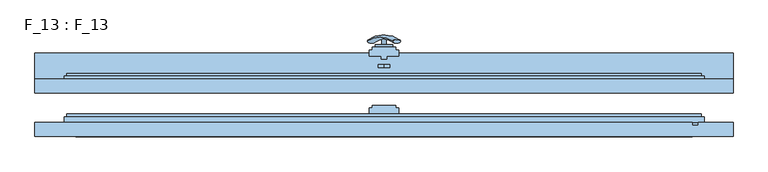
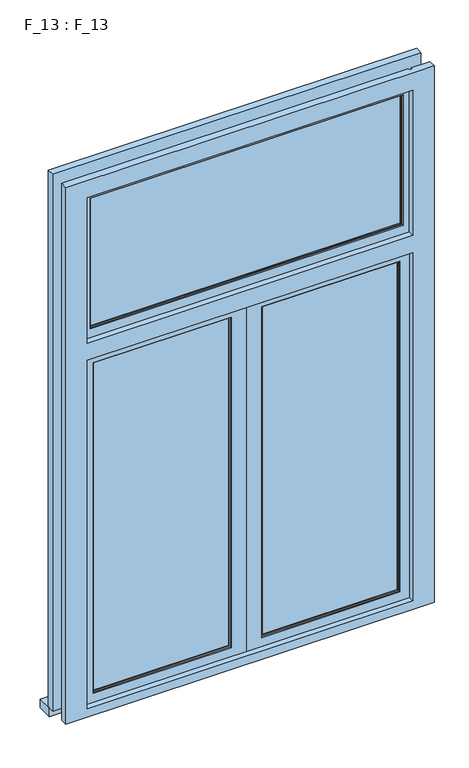
"""IFC4 building model written with IfcOpenShell, lengths in millimetres: window geometry, F_13 : F_13."""

from ifc_helpers import new_model, si_unit, point, frame, frame_2d, origin, place, context, project, spatial, polyline, circle_curve, ellipse_curve, trimmed, segment, composite_curve, outline, extrude, faceted_brep, source, transform, mapped, element, save
from ifc_brep_helpers import plane_surface, revolved_surface, advanced_brep


def f_13_f_13_63d2a69a(model_context):
    return source(origin(), model_context, "Body", "SolidModel", [
        advanced_brep(
        [(-28.5497704, 90.2287724, 1428.0503471), (-14.693364, 90.2287724, 1420.0503471), (14.693364, 90.2287724, 1502.9496529), (28.5497704, 90.2287724, 1494.9496529)],
        [
            (0, 1, ellipse_curve(frame((-21.6215672, 90.2287724, 1424.0503471), z_axis=(-0.46984631039295827, -0.3420201433256777, -0.8137976813493676), x_axis=(0.8660254037844349, 0.0, -0.5000000000000066)), 8.0, 3.5)),
            (1, 0, ellipse_curve(frame((-21.6215672, 90.2287724, 1424.0503471), z_axis=(-0.46984631039295827, -0.3420201433256777, -0.8137976813493676), x_axis=(0.8660254037844349, 0.0, -0.5000000000000066)), 8.0, 3.5)),
            (2, 3, ellipse_curve(frame((21.6215672, 90.2287724, 1498.9496529), z_axis=(0.46984631039296154, -0.3420201433256599, 0.8137976813493732), x_axis=(0.8660254037844355, 0.0, -0.5000000000000056)), 8.0, 3.5)),
            (3, 2, ellipse_curve(frame((21.6215672, 90.2287724, 1498.9496529), z_axis=(0.46984631039296154, -0.3420201433256599, 0.8137976813493732), x_axis=(0.8660254037844355, 0.0, -0.5000000000000056)), 8.0, 3.5)),
            (2, 0, circle_curve(frame((-6.9282032, -28.580763, 1465.5), z_axis=(-0.8660254037844353, 0.0, 0.500000000000006), x_axis=(-0.1710100716628409, 0.9396926207859051, -0.29619813272603046)), 126.4344667)),
            (1, 3, circle_curve(frame((6.9282032, -28.580763, 1457.5), z_axis=(0.8660254037844353, 0.0, -0.500000000000006), x_axis=(-0.1710100716628409, 0.9396926207859051, -0.29619813272603046)), 126.4344667)),
        ],
        [
            plane_surface(frame((40.0926994, 87.5471681, 1389.5466142), z_axis=(-0.4698463103929582, -0.34202014332567776, -0.8137976813493677), x_axis=(-0.8660254037844352, 0.0, 0.500000000000006))),
            plane_surface(frame((82.3598097, 87.5471681, 1462.7553967), z_axis=(0.4698463103929615, -0.34202014332565983, 0.8137976813493734), x_axis=(-0.8660254037844352, 0.0, 0.500000000000006))),
            revolved_surface(trimmed(ellipse_curve(frame((-21.6215672, 90.2287724, 1424.0503471), z_axis=(0.46984631039295827, 0.3420201433256777, 0.8137976813493676), x_axis=(0.8660254037844349, 0.0, -0.5000000000000066)), 8.0, 3.5), [point((-28.5497704, 90.2287724, 1428.0503471))], [point((-14.693364, 90.2287724, 1420.0503471))], True, "CARTESIAN"), (61.2262546, -28.580763, 1426.1510055), (-0.8660254037844353, 0.0, 0.500000000000006)),
            revolved_surface(trimmed(ellipse_curve(frame((-21.6215672, 90.2287724, 1424.0503471), z_axis=(0.46984631039295827, 0.3420201433256777, 0.8137976813493676), x_axis=(0.8660254037844349, 0.0, -0.5000000000000066)), 8.0, 3.5), [point((-14.693364, 90.2287724, 1420.0503471))], [point((-28.5497704, 90.2287724, 1428.0503471))], True, "CARTESIAN"), (61.2262546, -28.580763, 1426.1510055), (-0.8660254037844353, 0.0, 0.500000000000006)),
        ],
        [
            (0, [[1, 2]]),
            (1, [[3, 4]]),
            (2, [[-3, 5, -2, 6]]),
            (3, [[-4, -6, -1, -5]]),
        ],
    ),
        extrude(outline(composite_curve([segment(trimmed(circle_curve(frame_2d((1461.5, 0.0)), 3.5), [point((1461.5, -3.5))], [point((1461.5, 3.5))], False, "CARTESIAN"), True, "CONTINUOUS"), segment(trimmed(circle_curve(frame_2d((1461.5, 0.0)), 3.5), [point((1461.5, 3.5))], [point((1461.5, -3.5))], False, "CARTESIAN"), True, "CONTINUOUS")], self_intersect=False)), frame((0.0, 85.0, 0.0), z_axis=(0.0, 1.0, 0.0), x_axis=(0.0, 0.0, 1.0)), (0.0, 0.0, 1.0), 10.0),
        extrude(outline(composite_curve([segment(polyline([(1525.8020109, -15.0), (1395.8020109, -15.0)]), True, "CONTINUOUS"), segment(trimmed(circle_curve(frame_2d((1395.8020109, 0.0)), 15.0), [point((1395.8020109, -15.0))], [point((1395.8020109, 15.0))], False, "CARTESIAN"), True, "CONTINUOUS"), segment(polyline([(1395.8020109, 15.0), (1525.8020109, 15.0)]), True, "CONTINUOUS"), segment(trimmed(circle_curve(frame_2d((1525.8020109, 0.0)), 15.0), [point((1525.8020109, 15.0))], [point((1525.8020109, -15.0))], False, "CARTESIAN"), True, "CONTINUOUS")], self_intersect=False)), frame((0.0, 80.0, 0.0), z_axis=(0.0, 1.0, 0.0), x_axis=(0.0, 0.0, 1.0)), (0.0, 0.0, 1.0), 5.0),
        faceted_brep([(-0.5, -55.0, 2090.0), (-0.5, -50.0, 2090.0), (0.0, -50.0, 2090.0), (0.0, -40.0, 2090.0), (-550.0, -40.0, 2090.0), (-550.0, -50.0, 2090.0), (-10.0, -50.0, 2090.0), (-10.0, -55.0, 2090.0), (-0.5, -55.0, 850.0), (-10.0, -55.0, 850.0), (-10.0, -50.0, 850.0), (-550.0, -50.0, 850.0), (-550.0, -40.0, 850.0), (0.0, -40.0, 850.0), (0.0, -50.0, 850.0), (-0.5, -50.0, 850.0), (-10.0, -55.0, 2080.0), (-540.0, -55.0, 2080.0), (-540.0, -55.0, 860.0), (-10.0, -55.0, 860.0), (-50.0, -55.0, 900.0), (-500.0, -55.0, 900.0), (-500.0, -55.0, 2040.0), (-50.0, -55.0, 2040.0), (-10.0, -50.0, 860.0), (-10.0, -50.0, 2080.0), (-50.0, -50.0, 2040.0), (-50.0, -50.0, 900.0), (-55.0, -40.0, 2035.0), (-55.0, -40.0, 905.0), (-55.0, -50.0, 905.0), (-55.0, -50.0, 2035.0), (-50.0, -35.0, 2040.0), (-50.0, -35.0, 900.0), (-50.0, -40.0, 900.0), (-50.0, -40.0, 2040.0), (-5.0, -40.0, 2085.0), (-5.0, -40.0, 855.0), (-5.0, -35.0, 855.0), (-5.0, -35.0, 2085.0), (-500.0, -50.0, 900.0), (-495.0, -40.0, 905.0), (-495.0, -50.0, 905.0), (-500.0, -35.0, 900.0), (-500.0, -40.0, 900.0), (-545.0, -40.0, 855.0), (-545.0, -35.0, 855.0), (-540.0, -50.0, 860.0), (-500.0, -50.0, 2040.0), (-495.0, -40.0, 2035.0), (-495.0, -50.0, 2035.0), (-500.0, -35.0, 2040.0), (-500.0, -40.0, 2040.0), (-545.0, -40.0, 2085.0), (-545.0, -35.0, 2085.0), (-540.0, -50.0, 2080.0)], [[[0, 1, 2, 3, 4, 5, 6, 7]], [[8, 9, 10, 11, 12, 13, 14, 15]], [[7, 16, 17, 18, 19, 9, 8, 0], [20, 21, 22, 23]], [[9, 19, 24, 10]], [[6, 25, 16, 7]], [[0, 8, 15, 1]], [[26, 27, 20, 23]], [[28, 29, 30, 31]], [[32, 33, 34, 35]], [[36, 37, 38, 39]], [[2, 14, 13, 3]], [[27, 40, 21, 20]], [[29, 41, 42, 30]], [[33, 43, 44, 34]], [[37, 45, 46, 38]], [[24, 19, 18, 47]], [[40, 48, 22, 21]], [[41, 49, 50, 42]], [[43, 51, 52, 44]], [[45, 53, 54, 46]], [[11, 5, 4, 12]], [[18, 17, 55, 47]], [[23, 22, 48, 26]], [[26, 48, 40, 27], [30, 42, 50, 31]], [[31, 50, 49, 28]], [[34, 44, 52, 35], [28, 49, 41, 29]], [[35, 52, 51, 32]], [[38, 46, 54, 39], [32, 51, 43, 33]], [[39, 54, 53, 36]], [[13, 12, 4, 3], [36, 53, 45, 37]], [[2, 1, 15, 14]], [[47, 55, 25, 6, 5, 11, 10, 24]], [[17, 16, 25, 55]]]),
        faceted_brep([(0.5, -55.0, 2090.0), (10.0, -55.0, 2090.0), (10.0, -50.0, 2090.0), (550.0, -50.0, 2090.0), (550.0, -40.0, 2090.0), (0.0, -40.0, 2090.0), (0.0, -50.0, 2090.0), (0.5, -50.0, 2090.0), (0.5, -55.0, 850.0), (0.5, -50.0, 850.0), (0.0, -50.0, 850.0), (0.0, -40.0, 850.0), (550.0, -40.0, 850.0), (550.0, -50.0, 850.0), (10.0, -50.0, 850.0), (10.0, -55.0, 850.0), (10.0, -55.0, 860.0), (540.0, -55.0, 860.0), (540.0, -55.0, 2080.0), (10.0, -55.0, 2080.0), (50.0, -55.0, 2040.0), (500.0, -55.0, 2040.0), (500.0, -55.0, 900.0), (50.0, -55.0, 900.0), (10.0, -50.0, 2080.0), (10.0, -50.0, 860.0), (50.0, -50.0, 900.0), (50.0, -50.0, 2040.0), (55.0, -50.0, 2035.0), (55.0, -50.0, 905.0), (55.0, -40.0, 905.0), (55.0, -40.0, 2035.0), (50.0, -40.0, 2040.0), (50.0, -40.0, 900.0), (50.0, -35.0, 900.0), (50.0, -35.0, 2040.0), (5.0, -35.0, 2085.0), (5.0, -35.0, 855.0), (5.0, -40.0, 855.0), (5.0, -40.0, 2085.0), (500.0, -50.0, 900.0), (495.0, -50.0, 905.0), (495.0, -40.0, 905.0), (500.0, -40.0, 900.0), (500.0, -35.0, 900.0), (545.0, -35.0, 855.0), (545.0, -40.0, 855.0), (540.0, -50.0, 860.0), (500.0, -50.0, 2040.0), (495.0, -50.0, 2035.0), (495.0, -40.0, 2035.0), (500.0, -40.0, 2040.0), (500.0, -35.0, 2040.0), (545.0, -35.0, 2085.0), (545.0, -40.0, 2085.0), (540.0, -50.0, 2080.0)], [[[0, 1, 2, 3, 4, 5, 6, 7]], [[8, 9, 10, 11, 12, 13, 14, 15]], [[0, 8, 15, 16, 17, 18, 19, 1], [20, 21, 22, 23]], [[1, 19, 24, 2]], [[14, 25, 16, 15]], [[7, 9, 8, 0]], [[20, 23, 26, 27]], [[28, 29, 30, 31]], [[32, 33, 34, 35]], [[36, 37, 38, 39]], [[5, 11, 10, 6]], [[23, 22, 40, 26]], [[29, 41, 42, 30]], [[33, 43, 44, 34]], [[37, 45, 46, 38]], [[16, 25, 47, 17]], [[22, 21, 48, 40]], [[41, 49, 50, 42]], [[43, 51, 52, 44]], [[45, 53, 54, 46]], [[12, 4, 3, 13]], [[47, 55, 18, 17]], [[27, 48, 21, 20]], [[26, 40, 48, 27], [28, 49, 41, 29]], [[31, 50, 49, 28]], [[32, 51, 43, 33], [30, 42, 50, 31]], [[35, 52, 51, 32]], [[36, 53, 45, 37], [34, 44, 52, 35]], [[39, 54, 53, 36]], [[5, 4, 12, 11], [38, 46, 54, 39]], [[10, 9, 7, 6]], [[25, 14, 13, 3, 2, 24, 55, 47]], [[55, 24, 19, 18]]]),
        extrude(outline(polyline([(-55.0, -43.0), (-55.0, -47.0), (-495.0, -47.0), (-495.0, -43.0), (-55.0, -43.0)])), frame((0.0, 0.0, 905.0), z_axis=(0.0, 0.0, 1.0), x_axis=(1.0, 0.0, 0.0)), (0.0, 0.0, 1.0), 1130.0),
        extrude(outline(polyline([(495.0, -43.0), (495.0, -47.0), (55.0, -47.0), (55.0, -43.0), (495.0, -43.0)])), frame((0.0, 0.0, 905.0), z_axis=(0.0, 0.0, 1.0), x_axis=(1.0, 0.0, 0.0)), (0.0, 0.0, 1.0), 1130.0),
        extrude(outline(polyline([(5.0, -40.0), (-5.0, -40.0), (-5.0, -35.0), (-25.0, -35.0), (-25.0, -25.0), (-20.0, -25.0), (-20.0, -20.0), (20.0, -20.0), (20.0, -25.0), (25.0, -25.0), (25.0, -35.0), (5.0, -35.0), (5.0, -40.0)])), frame((0.0, 0.0, 850.0), z_axis=(0.0, 0.0, 1.0), x_axis=(1.0, 0.0, 0.0)), (0.0, 0.0, 1.0), 1240.0),
        faceted_brep([(-50.0, 20.0, 2040.0), (-50.0, 20.0, 900.0), (-50.0, 15.0, 900.0), (-50.0, 15.0, 2040.0), (-55.0, 30.0, 2035.0), (-55.0, 30.0, 905.0), (-55.0, 20.0, 905.0), (-55.0, 20.0, 2035.0), (-50.0, 35.0, 2040.0), (-50.0, 35.0, 900.0), (-50.0, 30.0, 900.0), (-50.0, 30.0, 2040.0), (-5.0, 30.0, 2085.0), (-5.0, 30.0, 855.0), (-5.0, 35.0, 855.0), (-5.0, 35.0, 2085.0), (0.0, 20.0, 2090.0), (0.0, 20.0, 850.0), (0.0, 30.0, 850.0), (0.0, 30.0, 2090.0), (-500.0, 20.0, 900.0), (-500.0, 15.0, 900.0), (-495.0, 30.0, 905.0), (-495.0, 20.0, 905.0), (-500.0, 35.0, 900.0), (-500.0, 30.0, 900.0), (-545.0, 30.0, 855.0), (-545.0, 35.0, 855.0), (-550.0, 20.0, 850.0), (-550.0, 30.0, 850.0), (-10.0, 15.0, 860.0), (-540.0, 15.0, 860.0), (-540.0, 20.0, 860.0), (-10.0, 20.0, 860.0), (-500.0, 20.0, 2040.0), (-500.0, 15.0, 2040.0), (-495.0, 30.0, 2035.0), (-495.0, 20.0, 2035.0), (-500.0, 35.0, 2040.0), (-500.0, 30.0, 2040.0), (-545.0, 30.0, 2085.0), (-545.0, 35.0, 2085.0), (-550.0, 20.0, 2090.0), (-550.0, 30.0, 2090.0), (-540.0, 15.0, 2080.0), (-540.0, 20.0, 2080.0), (-10.0, 15.0, 2080.0), (-10.0, 20.0, 2080.0)], [[[0, 1, 2, 3]], [[4, 5, 6, 7]], [[8, 9, 10, 11]], [[12, 13, 14, 15]], [[16, 17, 18, 19]], [[1, 20, 21, 2]], [[5, 22, 23, 6]], [[9, 24, 25, 10]], [[13, 26, 27, 14]], [[17, 28, 29, 18]], [[30, 31, 32, 33]], [[20, 34, 35, 21]], [[22, 36, 37, 23]], [[24, 38, 39, 25]], [[26, 40, 41, 27]], [[28, 42, 43, 29]], [[31, 44, 45, 32]], [[46, 44, 31, 30], [2, 21, 35, 3]], [[3, 35, 34, 0]], [[0, 34, 20, 1], [6, 23, 37, 7]], [[7, 37, 36, 4]], [[10, 25, 39, 11], [4, 36, 22, 5]], [[11, 39, 38, 8]], [[14, 27, 41, 15], [8, 38, 24, 9]], [[15, 41, 40, 12]], [[18, 29, 43, 19], [12, 40, 26, 13]], [[19, 43, 42, 16]], [[16, 42, 28, 17], [33, 32, 45, 47]], [[47, 45, 44, 46]], [[46, 30, 33, 47]]]),
        faceted_brep([(-10.0, 50.0, 2080.0), (-10.0, 50.0, 850.0), (-10.0, 45.0, 850.0), (-10.0, 45.0, 2080.0), (-0.5, 45.0, 2080.0), (-0.5, 45.0, 850.0), (-0.5, 50.0, 850.0), (-0.5, 50.0, 2080.0)], [[[0, 1, 2, 3]], [[4, 5, 6, 7]], [[4, 7, 0, 3]], [[5, 2, 1, 6]], [[3, 2, 5, 4]], [[7, 6, 1, 0]]]),
        extrude(outline(polyline([(-55.0, 27.0), (-55.0, 23.0), (-495.0, 23.0), (-495.0, 27.0), (-55.0, 27.0)])), frame((0.0, 0.0, 905.0), z_axis=(0.0, 0.0, 1.0), x_axis=(1.0, 0.0, 0.0)), (0.0, 0.0, 1.0), 1130.0),
        extrude(outline(polyline([(495.0, 27.0), (495.0, 23.0), (55.0, 23.0), (55.0, 27.0), (495.0, 27.0)])), frame((0.0, 0.0, 905.0), z_axis=(0.0, 0.0, 1.0), x_axis=(1.0, 0.0, 0.0)), (0.0, 0.0, 1.0), 1130.0),
        faceted_brep([(5.0, 60.0, 2090.0), (5.0, 65.0, 2090.0), (25.0, 65.0, 2090.0), (25.0, 75.0, 2090.0), (20.0, 75.0, 2090.0), (20.0, 80.0, 2090.0), (-20.0, 80.0, 2090.0), (-20.0, 75.0, 2090.0), (-25.0, 75.0, 2090.0), (-25.0, 65.0, 2090.0), (-5.0, 65.0, 2090.0), (-5.0, 60.0, 2090.0), (5.0, 60.0, 850.0), (-5.0, 60.0, 850.0), (-5.0, 65.0, 850.0), (-25.0, 65.0, 850.0), (-25.0, 75.0, 850.0), (-20.0, 75.0, 850.0), (-20.0, 80.0, 850.0), (20.0, 80.0, 850.0), (20.0, 75.0, 850.0), (25.0, 75.0, 850.0), (25.0, 65.0, 850.0), (5.0, 65.0, 850.0)], [[[0, 1, 2, 3, 4, 5, 6, 7, 8, 9, 10, 11]], [[12, 13, 14, 15, 16, 17, 18, 19, 20, 21, 22, 23]], [[11, 13, 12, 0]], [[10, 14, 13, 11]], [[9, 15, 14, 10]], [[8, 16, 15, 9]], [[7, 17, 16, 8]], [[6, 18, 17, 7]], [[5, 19, 18, 6]], [[4, 20, 19, 5]], [[3, 21, 20, 4]], [[2, 22, 21, 3]], [[1, 23, 22, 2]], [[0, 12, 23, 1]]]),
        faceted_brep([(50.0, 15.0, 2040.0), (50.0, 15.0, 900.0), (50.0, 20.0, 900.0), (50.0, 20.0, 2040.0), (55.0, 20.0, 2035.0), (55.0, 20.0, 905.0), (55.0, 30.0, 905.0), (55.0, 30.0, 2035.0), (50.0, 30.0, 2040.0), (50.0, 30.0, 900.0), (50.0, 35.0, 900.0), (50.0, 35.0, 2040.0), (0.0, 30.0, 2090.0), (0.0, 30.0, 850.0), (0.0, 20.0, 850.0), (0.0, 20.0, 2090.0), (500.0, 15.0, 900.0), (500.0, 20.0, 900.0), (495.0, 20.0, 905.0), (495.0, 30.0, 905.0), (500.0, 30.0, 900.0), (500.0, 35.0, 900.0), (5.0, 35.0, 855.0), (545.0, 35.0, 855.0), (545.0, 30.0, 855.0), (5.0, 30.0, 855.0), (10.0, 20.0, 860.0), (540.0, 20.0, 860.0), (540.0, 15.0, 860.0), (10.0, 15.0, 860.0), (500.0, 15.0, 2040.0), (500.0, 20.0, 2040.0), (495.0, 20.0, 2035.0), (495.0, 30.0, 2035.0), (500.0, 30.0, 2040.0), (500.0, 35.0, 2040.0), (545.0, 35.0, 2085.0), (545.0, 30.0, 2085.0), (550.0, 30.0, 850.0), (550.0, 30.0, 2090.0), (550.0, 20.0, 2090.0), (550.0, 20.0, 850.0), (540.0, 20.0, 2080.0), (540.0, 15.0, 2080.0), (10.0, 15.0, 2080.0), (5.0, 35.0, 2085.0), (5.0, 30.0, 2085.0), (10.0, 20.0, 2080.0)], [[[0, 1, 2, 3]], [[4, 5, 6, 7]], [[8, 9, 10, 11]], [[12, 13, 14, 15]], [[1, 16, 17, 2]], [[5, 18, 19, 6]], [[9, 20, 21, 10]], [[22, 23, 24, 25]], [[26, 27, 28, 29]], [[16, 30, 31, 17]], [[18, 32, 33, 19]], [[20, 34, 35, 21]], [[23, 36, 37, 24]], [[38, 39, 40, 41]], [[27, 42, 43, 28]], [[29, 28, 43, 44], [0, 30, 16, 1]], [[3, 31, 30, 0]], [[2, 17, 31, 3], [4, 32, 18, 5]], [[7, 33, 32, 4]], [[8, 34, 20, 9], [6, 19, 33, 7]], [[11, 35, 34, 8]], [[45, 36, 23, 22], [10, 21, 35, 11]], [[46, 37, 36, 45]], [[12, 39, 38, 13], [25, 24, 37, 46]], [[14, 41, 40, 15], [47, 42, 27, 26]], [[44, 43, 42, 47]], [[45, 22, 25, 46]], [[47, 26, 29, 44]], [[13, 38, 41, 14]], [[15, 40, 39, 12]]]),
        faceted_brep([(10.0, 45.0, 2080.0), (10.0, 45.0, 850.0), (10.0, 50.0, 850.0), (10.0, 50.0, 2080.0), (0.5, 50.0, 2080.0), (0.5, 50.0, 850.0), (0.5, 45.0, 850.0), (0.5, 45.0, 2080.0)], [[[0, 1, 2, 3]], [[4, 5, 6, 7]], [[7, 0, 3, 4]], [[6, 5, 2, 1]], [[7, 6, 1, 0]], [[3, 2, 5, 4]]]),
        extrude(outline(polyline([(600.0, 70.0), (600.0, 20.0), (-600.0, 20.0), (-600.0, 70.0), (600.0, 70.0)])), frame((0.0, 0.0, 810.0), z_axis=(0.0, 0.0, 1.0), x_axis=(1.0, 0.0, 0.0)), (0.0, 0.0, 1.0), 30.0),
        faceted_brep([(-600.0, 25.0, 2690.0), (-600.0, 25.0, 840.0), (-600.0, 1.0, 840.0), (-600.0, 1.0, 2690.0), (-540.0, 1.0, 840.0), (-540.0, 1.0, 810.0), (540.0, 1.0, 810.0), (540.0, 1.0, 840.0), (600.0, 1.0, 840.0), (600.0, 1.0, 2690.0), (-530.0, 1.0, 2070.0), (530.0, 1.0, 2070.0), (530.0, 1.0, 870.0), (-530.0, 1.0, 870.0), (-530.0, 1.0, 2630.0), (530.0, 1.0, 2630.0), (530.0, 1.0, 2130.0), (-530.0, 1.0, 2130.0), (-540.0, 25.0, 840.0), (-540.0, 20.0, 840.0), (600.0, 25.0, 2690.0), (600.0, 25.0, 840.0), (540.0, 25.0, 840.0), (540.0, 25.0, 810.0), (-540.0, 25.0, 810.0), (540.0, 25.0, 2080.0), (-540.0, 25.0, 2080.0), (-540.0, 25.0, 860.0), (540.0, 25.0, 860.0), (-540.0, 25.0, 2640.0), (-540.0, 25.0, 2120.0), (540.0, 25.0, 2120.0), (540.0, 25.0, 2640.0), (540.0, 20.0, 840.0), (-530.0, 20.0, 2130.0), (-530.0, 20.0, 2630.0), (-530.0, 20.0, 870.0), (-530.0, 20.0, 2070.0), (530.0, 20.0, 2130.0), (530.0, 20.0, 2070.0), (530.0, 20.0, 870.0), (530.0, 20.0, 2630.0), (-540.0, 20.0, 2640.0), (540.0, 20.0, 2640.0), (540.0, 20.0, 2120.0), (-540.0, 20.0, 2120.0), (540.0, 20.0, 2080.0), (540.0, 20.0, 860.0), (-540.0, 20.0, 860.0), (-540.0, 20.0, 2080.0)], [[[0, 1, 2, 3]], [[2, 4, 5, 6, 7, 8, 9, 3], [10, 11, 12, 13], [14, 15, 16, 17]], [[18, 19, 4, 2, 1]], [[1, 0, 20, 21, 22, 23, 24, 18], [25, 26, 27, 28], [29, 30, 31, 32]], [[9, 8, 21, 20]], [[8, 7, 33, 22, 21]], [[23, 22, 33, 7, 6]], [[24, 23, 6, 5]], [[5, 4, 19, 18, 24]], [[14, 17, 34, 35]], [[10, 13, 36, 37]], [[17, 16, 38, 34]], [[39, 40, 12, 11]], [[15, 41, 38, 16]], [[36, 13, 12, 40]], [[37, 39, 11, 10]], [[42, 43, 44, 45], [34, 38, 41, 35]], [[46, 47, 48, 49], [37, 36, 40, 39]], [[27, 48, 47, 28]], [[31, 44, 43, 32]], [[25, 28, 47, 46]], [[25, 46, 49, 26]], [[42, 45, 30, 29]], [[48, 27, 26, 49]], [[30, 45, 44, 31]], [[3, 9, 20, 0]], [[35, 41, 15, 14]], [[32, 43, 42, 29]]]),
        faceted_brep([(-600.0, -74.0, 840.0), (-600.0, -50.0, 840.0), (-540.0, -50.0, 840.0), (-540.0, -55.0, 840.0), (-530.0, -55.0, 840.0), (-530.0, -50.0, 840.0), (530.0, -50.0, 840.0), (530.0, -55.0, 840.0), (540.0, -55.0, 840.0), (540.0, -50.0, 840.0), (600.0, -50.0, 840.0), (600.0, -74.0, 840.0), (-600.0, -74.0, 2690.0), (-600.0, -50.0, 2690.0), (530.0, -50.0, 2690.0), (530.0, -50.0, 2640.0), (-540.0, -50.0, 2640.0), (-540.0, -50.0, 2120.0), (540.0, -50.0, 2120.0), (540.0, -50.0, 2690.0), (600.0, -50.0, 2690.0), (540.0, -50.0, 2080.0), (-540.0, -50.0, 2080.0), (600.0, -74.0, 2690.0), (530.0, -74.0, 2630.0), (530.0, -74.0, 2130.0), (-530.0, -74.0, 2130.0), (-530.0, -74.0, 2630.0), (530.0, -74.0, 2070.0), (530.0, -74.0, 870.0), (-530.0, -74.0, 870.0), (-530.0, -74.0, 2070.0), (-530.0, -55.0, 2130.0), (-530.0, -55.0, 2630.0), (-530.0, -55.0, 870.0), (-530.0, -55.0, 2070.0), (530.0, -55.0, 2130.0), (530.0, -55.0, 2070.0), (530.0, -55.0, 870.0), (530.0, -55.0, 2630.0), (540.0, -55.0, 2690.0), (540.0, -55.0, 2120.0), (-540.0, -55.0, 2120.0), (-540.0, -55.0, 2640.0), (530.0, -55.0, 2640.0), (530.0, -55.0, 2690.0), (530.0, -55.0, 860.0), (-530.0, -55.0, 860.0), (-540.0, -55.0, 2080.0), (540.0, -55.0, 2080.0), (-530.0, -50.0, 860.0), (530.0, -50.0, 860.0)], [[[0, 1, 2, 3, 4, 5, 6, 7, 8, 9, 10, 11]], [[0, 12, 13, 1]], [[13, 14, 15, 16, 17, 18, 19, 20, 10, 9, 21, 22, 2, 1]], [[0, 11, 23, 12], [24, 25, 26, 27], [28, 29, 30, 31]], [[26, 32, 33, 27]], [[30, 34, 35, 31]], [[36, 32, 26, 25]], [[37, 38, 29, 28]], [[24, 39, 36, 25]], [[28, 31, 35, 37]], [[29, 38, 34, 30]], [[23, 11, 10, 20]], [[40, 41, 42, 43, 44, 45], [36, 39, 33, 32]], [[7, 46, 47, 4, 3, 48, 49, 8], [38, 37, 35, 34]], [[2, 22, 48, 3]], [[16, 43, 42, 17]], [[18, 17, 42, 41]], [[19, 18, 41, 40]], [[8, 49, 21, 9]], [[48, 22, 21, 49]], [[5, 4, 47, 50]], [[47, 46, 51, 50]], [[46, 7, 6, 51]], [[50, 51, 6, 5]], [[23, 20, 19, 40, 45, 14, 13, 12]], [[14, 45, 44, 15]], [[43, 16, 15, 44]], [[24, 27, 33, 39]]]),
        extrude(outline(polyline([(505.0, -43.0), (505.0, -47.0), (-505.0, -47.0), (-505.0, -43.0), (505.0, -43.0)])), frame((0.0, 0.0, 2165.0), z_axis=(0.0, 0.0, 1.0), x_axis=(1.0, 0.0, 0.0)), (0.0, 0.0, 1.0), 440.0),
        faceted_brep([(510.0, -50.0, 2610.0), (510.0, -50.0, 2160.0), (510.0, -55.0, 2160.0), (510.0, -55.0, 2610.0), (540.0, -55.0, 2130.0), (540.0, -55.0, 2640.0), (-540.0, -55.0, 2640.0), (-540.0, -55.0, 2130.0), (-510.0, -55.0, 2160.0), (-510.0, -55.0, 2610.0), (-510.0, -50.0, 2160.0), (-510.0, -50.0, 2610.0), (505.0, -50.0, 2605.0), (505.0, -50.0, 2165.0), (-505.0, -50.0, 2165.0), (-505.0, -50.0, 2605.0), (505.0, -40.0, 2605.0), (505.0, -40.0, 2165.0), (-505.0, -40.0, 2165.0), (510.0, -40.0, 2610.0), (510.0, -40.0, 2160.0), (-510.0, -40.0, 2160.0), (-510.0, -40.0, 2610.0), (-505.0, -40.0, 2605.0), (510.0, -35.0, 2610.0), (510.0, -35.0, 2160.0), (-510.0, -35.0, 2160.0), (545.0, -35.0, 2645.0), (545.0, -35.0, 2125.0), (-545.0, -35.0, 2125.0), (-545.0, -35.0, 2645.0), (-510.0, -35.0, 2610.0), (550.0, -50.0, 2650.0), (550.0, -50.0, 2120.0), (550.0, -40.0, 2120.0), (550.0, -40.0, 2650.0), (-550.0, -40.0, 2120.0), (-550.0, -40.0, 2650.0), (545.0, -40.0, 2125.0), (545.0, -40.0, 2645.0), (-545.0, -40.0, 2645.0), (-545.0, -40.0, 2125.0), (-550.0, -50.0, 2120.0), (-550.0, -50.0, 2650.0), (540.0, -50.0, 2640.0), (540.0, -50.0, 2130.0), (-540.0, -50.0, 2130.0), (-540.0, -50.0, 2640.0)], [[[0, 1, 2, 3]], [[4, 5, 6, 7], [3, 2, 8, 9]], [[1, 10, 8, 2]], [[1, 0, 11, 10], [12, 13, 14, 15]], [[16, 17, 13, 12]], [[17, 18, 14, 13]], [[19, 20, 21, 22], [17, 16, 23, 18]], [[24, 25, 20, 19]], [[25, 26, 21, 20]], [[27, 28, 29, 30], [25, 24, 31, 26]], [[32, 33, 34, 35]], [[35, 34, 36, 37], [38, 39, 40, 41]], [[33, 42, 36, 34]], [[33, 32, 43, 42], [44, 45, 46, 47]], [[5, 4, 45, 44]], [[4, 7, 46, 45]], [[10, 11, 9, 8]], [[18, 23, 15, 14]], [[26, 31, 22, 21]], [[42, 43, 37, 36]], [[7, 6, 47, 46]], [[41, 40, 30, 29]], [[38, 41, 29, 28]], [[39, 38, 28, 27]], [[11, 0, 3, 9]], [[23, 16, 12, 15]], [[31, 24, 19, 22]], [[43, 32, 35, 37]], [[6, 5, 44, 47]], [[40, 39, 27, 30]]]),
        extrude(outline(polyline([(505.0, 27.0), (505.0, 23.0), (-505.0, 23.0), (-505.0, 27.0), (505.0, 27.0)])), frame((0.0, 0.0, 2165.0), z_axis=(0.0, 0.0, 1.0), x_axis=(1.0, 0.0, 0.0)), (0.0, 0.0, 1.0), 440.0),
        faceted_brep([(510.0, 20.0, 2610.0), (510.0, 20.0, 2160.0), (510.0, 15.0, 2160.0), (510.0, 15.0, 2610.0), (540.0, 15.0, 2130.0), (540.0, 15.0, 2640.0), (-540.0, 15.0, 2640.0), (-540.0, 15.0, 2130.0), (-510.0, 15.0, 2160.0), (-510.0, 15.0, 2610.0), (-510.0, 20.0, 2160.0), (-510.0, 20.0, 2610.0), (505.0, 20.0, 2605.0), (505.0, 20.0, 2165.0), (-505.0, 20.0, 2165.0), (-505.0, 20.0, 2605.0), (505.0, 30.0, 2605.0), (505.0, 30.0, 2165.0), (-505.0, 30.0, 2165.0), (510.0, 30.0, 2610.0), (510.0, 30.0, 2160.0), (-510.0, 30.0, 2160.0), (-510.0, 30.0, 2610.0), (-505.0, 30.0, 2605.0), (510.0, 35.0, 2610.0), (510.0, 35.0, 2160.0), (-510.0, 35.0, 2160.0), (545.0, 35.0, 2645.0), (545.0, 35.0, 2125.0), (-545.0, 35.0, 2125.0), (-545.0, 35.0, 2645.0), (-510.0, 35.0, 2610.0), (550.0, 20.0, 2650.0), (550.0, 20.0, 2120.0), (550.0, 30.0, 2120.0), (550.0, 30.0, 2650.0), (-550.0, 30.0, 2120.0), (-550.0, 30.0, 2650.0), (545.0, 30.0, 2125.0), (545.0, 30.0, 2645.0), (-545.0, 30.0, 2645.0), (-545.0, 30.0, 2125.0), (-550.0, 20.0, 2120.0), (-550.0, 20.0, 2650.0), (540.0, 20.0, 2640.0), (540.0, 20.0, 2130.0), (-540.0, 20.0, 2130.0), (-540.0, 20.0, 2640.0)], [[[0, 1, 2, 3]], [[4, 5, 6, 7], [3, 2, 8, 9]], [[1, 10, 8, 2]], [[1, 0, 11, 10], [12, 13, 14, 15]], [[16, 17, 13, 12]], [[17, 18, 14, 13]], [[19, 20, 21, 22], [17, 16, 23, 18]], [[24, 25, 20, 19]], [[25, 26, 21, 20]], [[27, 28, 29, 30], [25, 24, 31, 26]], [[32, 33, 34, 35]], [[35, 34, 36, 37], [38, 39, 40, 41]], [[33, 42, 36, 34]], [[33, 32, 43, 42], [44, 45, 46, 47]], [[5, 4, 45, 44]], [[4, 7, 46, 45]], [[10, 11, 9, 8]], [[18, 23, 15, 14]], [[26, 31, 22, 21]], [[42, 43, 37, 36]], [[7, 6, 47, 46]], [[41, 40, 30, 29]], [[38, 41, 29, 28]], [[39, 38, 28, 27]], [[11, 0, 3, 9]], [[23, 16, 12, 15]], [[31, 24, 19, 22]], [[43, 32, 35, 37]], [[6, 5, 44, 47]], [[40, 39, 27, 30]]]),
    ])


if __name__ == "__main__":
    model = new_model("IFC4")
    model_context = context("Model", 3, world=origin())
    ifc_project = project(units=[si_unit("LENGTHUNIT", "METRE", prefix="MILLI")], contexts=[model_context])
    site = spatial("IfcSite", under=ifc_project)
    building = spatial("IfcBuilding", under=site)
    placement = place(None, origin())
    f_13_f_13_shape = f_13_f_13_63d2a69a(model_context)
    element("IfcWindow", 1, ObjectType="F_13 : F_13", at=placement, inside=building, context=model_context, shape_type="MappedRepresentation", body=[
        mapped(f_13_f_13_shape, transform((0.0, 0.0, 0.0), x_axis=(1.0, 0.0, 0.0), y_axis=(0.0, 1.0, 0.0), z_axis=(0.0, 0.0, 1.0))),
    ])
    save(model, "model.ifc")
